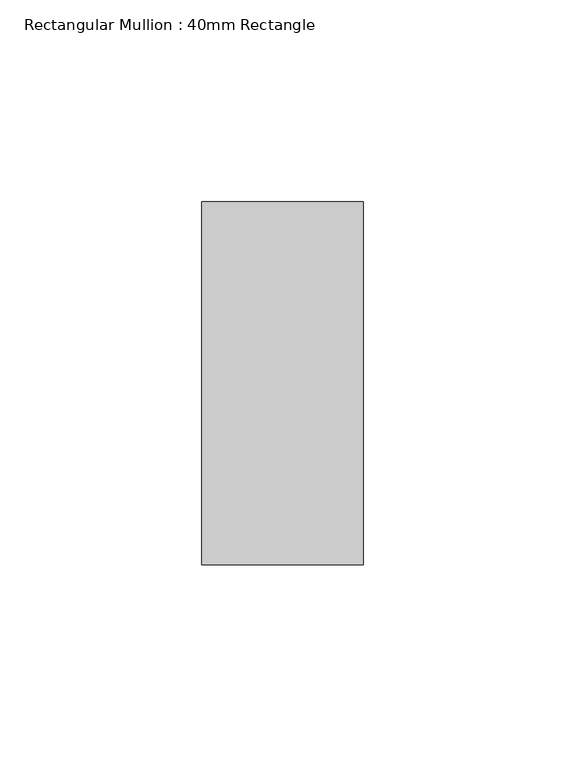
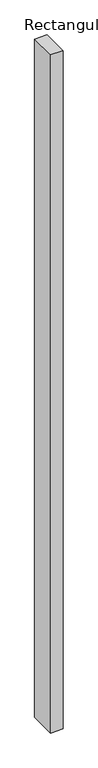
"""IFC4 building model written with IfcOpenShell, lengths in millimetres: member geometry, Rectangular Mullion : 40mm Rectangle."""

from ifc_helpers import new_model, si_unit, frame, origin, place, context, project, spatial, polyline, outline, extrude, source, transform, mapped, element, save


def rectangular_mullion_40mm_rectangle_84cab3d4(model_context):
    return source(origin(), model_context, "Body", "SweptSolid", [
        extrude(outline(polyline([(0.0, 45.0), (0.0, -45.0), (-40.0, -45.0), (-40.0, 45.0), (0.0, 45.0)])), frame((0.0, 0.0, -2320.0), z_axis=(0.0, 0.0, 1.0), x_axis=(1.0, 0.0, 0.0)), (0.0, 0.0, 1.0), 2320.0),
    ])


if __name__ == "__main__":
    model = new_model("IFC4")
    model_context = context("Model", 3, world=origin())
    ifc_project = project(units=[si_unit("LENGTHUNIT", "METRE", prefix="MILLI")], contexts=[model_context])
    site = spatial("IfcSite", under=ifc_project)
    building = spatial("IfcBuilding", under=site)
    placement = place(None, origin())
    rectangular_mullion_40mm_rectangle_shape = rectangular_mullion_40mm_rectangle_84cab3d4(model_context)
    element("IfcMember", 1, ObjectType="Rectangular Mullion : 40mm Rectangle", at=placement, inside=building, context=model_context, shape_type="MappedRepresentation", body=[
        mapped(rectangular_mullion_40mm_rectangle_shape, transform((0.0, 0.0, 0.0), x_axis=(1.0, 0.0, 0.0), y_axis=(0.0, 1.0, 0.0), z_axis=(0.0, 0.0, 1.0))),
    ])
    save(model, "model.ifc")
